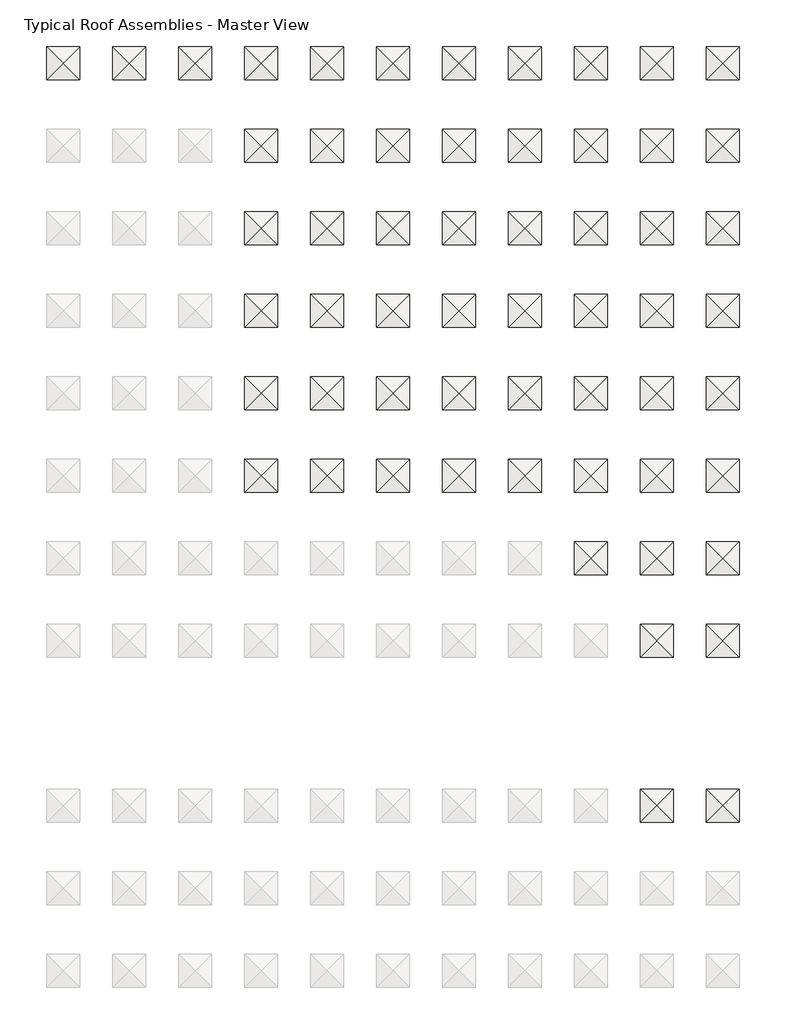
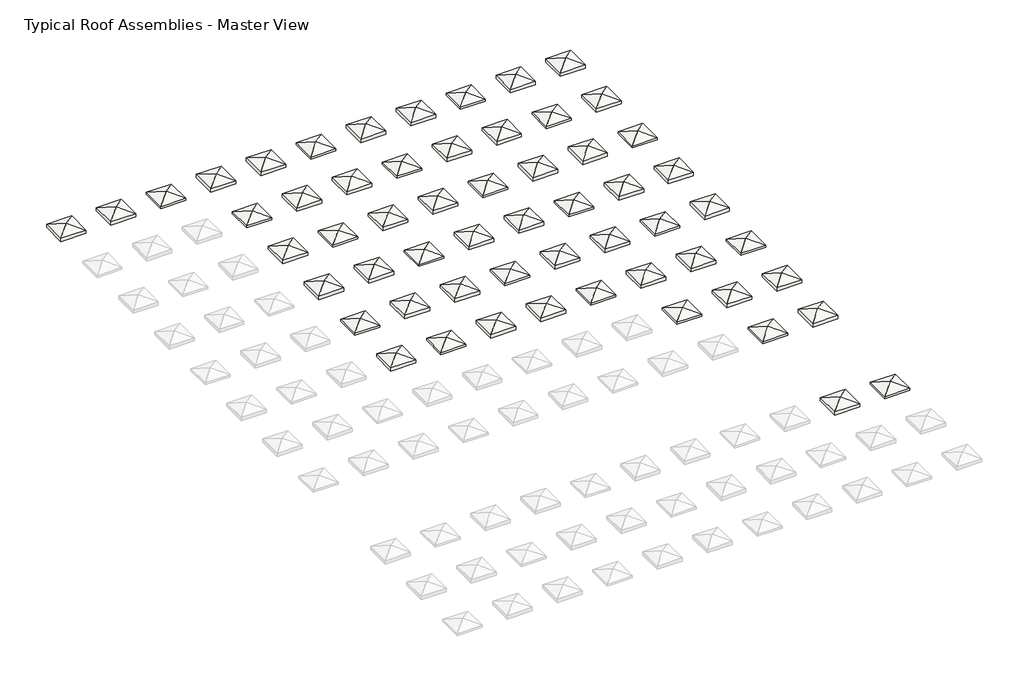
# One storey, part 6 of 6: 58 roofs.
"""IFC4 building model written with IfcOpenShell, lengths in millimetres."""

from ifc_helpers import new_model, si_unit, origin, place, context, project, spatial, faceted_brep, element, save

model = new_model("IFC4")

# Units and contexts
model_context = context("Model", 3, world=origin())
ifc_project = project(units=[si_unit("LENGTHUNIT", "METRE", prefix="MILLI")], contexts=[model_context])

# Site, building, storey
site = spatial("IfcSite", under=ifc_project)
building = spatial("IfcBuilding", under=site)
storey = spatial("IfcBuildingStorey", under=building, Name="Typical Roof Assemblies - Master View", Elevation=3048.0)

# Roofs
placement = place(None, origin())
element("IfcRoof", 1, at=placement, inside=storey, context=model_context, shape_type="Brep", body=[
    faceted_brep([(-18002.7271293, 7415.5233469, 3556.0), (-16478.7271293, 8939.5233469, 3048.0), (-16478.7271293, 5891.5233469, 3048.0), (-19526.7271293, 8939.5233469, 3048.0), (-19526.7271293, 5891.5233469, 3048.0), (-16478.7271293, 8939.5233469, 3479.7299585), (-18002.7271293, 7415.5233469, 3987.7299585), (-16478.7271293, 5891.5233469, 3479.7299585), (-19526.7271293, 8939.5233469, 3479.7299585), (-19526.7271293, 5891.5233469, 3479.7299585)], [[[0, 1, 2]], [[3, 0, 4]], [[1, 0, 3]], [[4, 0, 2]], [[5, 6, 7]], [[8, 9, 6]], [[5, 8, 6]], [[9, 7, 6]], [[3, 8, 5, 1]], [[4, 9, 8, 3]], [[2, 7, 9, 4]], [[1, 5, 7, 2]]]),
])
element("IfcRoof", 2, at=placement, inside=storey, context=model_context, shape_type="Brep", body=[
    faceted_brep([(-11906.7271293, 7415.5233469, 3556.0), (-10382.7271293, 8939.5233469, 3048.0), (-10382.7271293, 5891.5233469, 3048.0), (-13430.7271293, 8939.5233469, 3048.0), (-13430.7271293, 5891.5233469, 3048.0), (-10382.7271293, 8939.5233469, 3476.3832082), (-11906.7271293, 7415.5233469, 3984.3832082), (-10382.7271293, 5891.5233469, 3476.3832082), (-13430.7271293, 8939.5233469, 3476.3832082), (-13430.7271293, 5891.5233469, 3476.3832082)], [[[0, 1, 2]], [[3, 0, 4]], [[1, 0, 3]], [[4, 0, 2]], [[5, 6, 7]], [[8, 9, 6]], [[5, 8, 6]], [[9, 7, 6]], [[3, 8, 5, 1]], [[4, 9, 8, 3]], [[2, 7, 9, 4]], [[1, 5, 7, 2]]]),
])
element("IfcRoof", 3, at=placement, inside=storey, context=model_context, shape_type="Brep", body=[
    faceted_brep([(-5810.7271293, 7415.5233469, 3556.0), (-4286.7271293, 8939.5233469, 3048.0), (-4286.7271293, 5891.5233469, 3048.0), (-7334.7271293, 8939.5233469, 3048.0), (-7334.7271293, 5891.5233469, 3048.0), (-4286.7271293, 8939.5233469, 3304.0928432), (-5810.7271293, 7415.5233469, 3812.0928432), (-4286.7271293, 5891.5233469, 3304.0928432), (-7334.7271293, 8939.5233469, 3304.0928432), (-7334.7271293, 5891.5233469, 3304.0928432)], [[[0, 1, 2]], [[3, 0, 4]], [[1, 0, 3]], [[4, 0, 2]], [[5, 6, 7]], [[8, 9, 6]], [[5, 8, 6]], [[9, 7, 6]], [[3, 8, 5, 1]], [[4, 9, 8, 3]], [[2, 7, 9, 4]], [[1, 5, 7, 2]]]),
])
element("IfcRoof", 4, at=placement, inside=storey, context=model_context, shape_type="Brep", body=[
    faceted_brep([(285.2728707, 7415.5233469, 3556.0), (1809.2728707, 8939.5233469, 3048.0), (1809.2728707, 5891.5233469, 3048.0), (-1238.7271293, 8939.5233469, 3048.0), (-1238.7271293, 5891.5233469, 3048.0), (1809.2728707, 8939.5233469, 3478.1235205), (285.2728707, 7415.5233469, 3986.1235205), (1809.2728707, 5891.5233469, 3478.1235205), (-1238.7271293, 8939.5233469, 3478.1235205), (-1238.7271293, 5891.5233469, 3478.1235205)], [[[0, 1, 2]], [[3, 0, 4]], [[1, 0, 3]], [[4, 0, 2]], [[5, 6, 7]], [[8, 9, 6]], [[5, 8, 6]], [[9, 7, 6]], [[3, 8, 5, 1]], [[4, 9, 8, 3]], [[2, 7, 9, 4]], [[1, 5, 7, 2]]]),
])
element("IfcRoof", 5, at=placement, inside=storey, context=model_context, shape_type="Brep", body=[
    faceted_brep([(6381.2728707, 7415.5233469, 3556.0), (7905.2728707, 8939.5233469, 3048.0), (7905.2728707, 5891.5233469, 3048.0), (4857.2728707, 8939.5233469, 3048.0), (4857.2728707, 5891.5233469, 3048.0), (7905.2728707, 8939.5233469, 3474.7767703), (6381.2728707, 7415.5233469, 3982.7767703), (7905.2728707, 5891.5233469, 3474.7767703), (4857.2728707, 8939.5233469, 3474.7767703), (4857.2728707, 5891.5233469, 3474.7767703)], [[[0, 1, 2]], [[3, 0, 4]], [[1, 0, 3]], [[4, 0, 2]], [[5, 6, 7]], [[8, 9, 6]], [[5, 8, 6]], [[9, 7, 6]], [[3, 8, 5, 1]], [[4, 9, 8, 3]], [[2, 7, 9, 4]], [[1, 5, 7, 2]]]),
])
element("IfcRoof", 6, at=placement, inside=storey, context=model_context, shape_type="Brep", body=[
    faceted_brep([(12477.2728707, 7415.5233469, 3556.0), (14001.2728707, 8939.5233469, 3048.0), (14001.2728707, 5891.5233469, 3048.0), (10953.2728707, 8939.5233469, 3048.0), (10953.2728707, 5891.5233469, 3048.0), (14001.2728707, 8939.5233469, 3304.0928432), (12477.2728707, 7415.5233469, 3812.0928432), (14001.2728707, 5891.5233469, 3304.0928432), (10953.2728707, 8939.5233469, 3304.0928432), (10953.2728707, 5891.5233469, 3304.0928432)], [[[0, 1, 2]], [[3, 0, 4]], [[1, 0, 3]], [[4, 0, 2]], [[5, 6, 7]], [[8, 9, 6]], [[5, 8, 6]], [[9, 7, 6]], [[3, 8, 5, 1]], [[4, 9, 8, 3]], [[2, 7, 9, 4]], [[1, 5, 7, 2]]]),
])
element("IfcRoof", 7, at=placement, inside=storey, context=model_context, shape_type="Brep", body=[
    faceted_brep([(18573.2728707, 7415.5233469, 3556.0), (20097.2728707, 8939.5233469, 3048.0), (20097.2728707, 5891.5233469, 3048.0), (17049.2728707, 8939.5233469, 3048.0), (17049.2728707, 5891.5233469, 3048.0), (20097.2728707, 8939.5233469, 3479.7299585), (18573.2728707, 7415.5233469, 3987.7299585), (20097.2728707, 5891.5233469, 3479.7299585), (17049.2728707, 8939.5233469, 3479.7299585), (17049.2728707, 5891.5233469, 3479.7299585)], [[[0, 1, 2]], [[3, 0, 4]], [[1, 0, 3]], [[4, 0, 2]], [[5, 6, 7]], [[8, 9, 6]], [[5, 8, 6]], [[9, 7, 6]], [[3, 8, 5, 1]], [[4, 9, 8, 3]], [[2, 7, 9, 4]], [[1, 5, 7, 2]]]),
])
element("IfcRoof", 8, at=placement, inside=storey, context=model_context, shape_type="Brep", body=[
    faceted_brep([(24669.2728707, 7415.5233469, 3556.0), (26193.2728707, 8939.5233469, 3048.0), (26193.2728707, 5891.5233469, 3048.0), (23145.2728707, 8939.5233469, 3048.0), (23145.2728707, 5891.5233469, 3048.0), (26193.2728707, 8939.5233469, 3476.3832082), (24669.2728707, 7415.5233469, 3984.3832082), (26193.2728707, 5891.5233469, 3476.3832082), (23145.2728707, 8939.5233469, 3476.3832082), (23145.2728707, 5891.5233469, 3476.3832082)], [[[0, 1, 2]], [[3, 0, 4]], [[1, 0, 3]], [[4, 0, 2]], [[5, 6, 7]], [[8, 9, 6]], [[5, 8, 6]], [[9, 7, 6]], [[3, 8, 5, 1]], [[4, 9, 8, 3]], [[2, 7, 9, 4]], [[1, 5, 7, 2]]]),
])
element("IfcRoof", 9, at=placement, inside=storey, context=model_context, shape_type="Brep", body=[
    faceted_brep([(30765.2728707, 7415.5233469, 3556.0), (32289.2728707, 8939.5233469, 3048.0), (32289.2728707, 5891.5233469, 3048.0), (29241.2728707, 8939.5233469, 3048.0), (29241.2728707, 5891.5233469, 3048.0), (32289.2728707, 8939.5233469, 3304.0928432), (30765.2728707, 7415.5233469, 3812.0928432), (32289.2728707, 5891.5233469, 3304.0928432), (29241.2728707, 8939.5233469, 3304.0928432), (29241.2728707, 5891.5233469, 3304.0928432)], [[[0, 1, 2]], [[3, 0, 4]], [[1, 0, 3]], [[4, 0, 2]], [[5, 6, 7]], [[8, 9, 6]], [[5, 8, 6]], [[9, 7, 6]], [[3, 8, 5, 1]], [[4, 9, 8, 3]], [[2, 7, 9, 4]], [[1, 5, 7, 2]]]),
])
element("IfcRoof", 10, at=placement, inside=storey, context=model_context, shape_type="Brep", body=[
    faceted_brep([(36861.2728707, 7415.5233469, 3556.0), (38385.2728707, 8939.5233469, 3048.0), (38385.2728707, 5891.5233469, 3048.0), (35337.2728707, 8939.5233469, 3048.0), (35337.2728707, 5891.5233469, 3048.0), (38385.2728707, 8939.5233469, 3478.1235205), (36861.2728707, 7415.5233469, 3986.1235205), (38385.2728707, 5891.5233469, 3478.1235205), (35337.2728707, 8939.5233469, 3478.1235205), (35337.2728707, 5891.5233469, 3478.1235205)], [[[0, 1, 2]], [[3, 0, 4]], [[1, 0, 3]], [[4, 0, 2]], [[5, 6, 7]], [[8, 9, 6]], [[5, 8, 6]], [[9, 7, 6]], [[3, 8, 5, 1]], [[4, 9, 8, 3]], [[2, 7, 9, 4]], [[1, 5, 7, 2]]]),
])
element("IfcRoof", 11, at=placement, inside=storey, context=model_context, shape_type="Brep", body=[
    faceted_brep([(42957.2728707, 7415.5233469, 3556.0), (44481.2728707, 8939.5233469, 3048.0), (44481.2728707, 5891.5233469, 3048.0), (41433.2728707, 8939.5233469, 3048.0), (41433.2728707, 5891.5233469, 3048.0), (44481.2728707, 8939.5233469, 3474.7767703), (42957.2728707, 7415.5233469, 3982.7767703), (44481.2728707, 5891.5233469, 3474.7767703), (41433.2728707, 8939.5233469, 3474.7767703), (41433.2728707, 5891.5233469, 3474.7767703)], [[[0, 1, 2]], [[3, 0, 4]], [[1, 0, 3]], [[4, 0, 2]], [[5, 6, 7]], [[8, 9, 6]], [[5, 8, 6]], [[9, 7, 6]], [[3, 8, 5, 1]], [[4, 9, 8, 3]], [[2, 7, 9, 4]], [[1, 5, 7, 2]]]),
])
element("IfcRoof", 12, at=placement, inside=storey, context=model_context, shape_type="Brep", body=[
    faceted_brep([(285.2728707, -204.4766531, 3556.0), (1809.2728707, 1319.5233469, 3048.0), (1809.2728707, -1728.4766531, 3048.0), (-1238.7271293, 1319.5233469, 3048.0), (-1238.7271293, -1728.4766531, 3048.0), (1809.2728707, 1319.5233469, 3304.0928432), (285.2728707, -204.4766531, 3812.0928432), (1809.2728707, -1728.4766531, 3304.0928432), (-1238.7271293, 1319.5233469, 3304.0928432), (-1238.7271293, -1728.4766531, 3304.0928432)], [[[0, 1, 2]], [[3, 0, 4]], [[1, 0, 3]], [[4, 0, 2]], [[5, 6, 7]], [[8, 9, 6]], [[5, 8, 6]], [[9, 7, 6]], [[3, 8, 5, 1]], [[4, 9, 8, 3]], [[2, 7, 9, 4]], [[1, 5, 7, 2]]]),
])
element("IfcRoof", 13, at=placement, inside=storey, context=model_context, shape_type="Brep", body=[
    faceted_brep([(6381.2728707, -204.4766531, 3556.0), (7905.2728707, 1319.5233469, 3048.0), (7905.2728707, -1728.4766531, 3048.0), (4857.2728707, 1319.5233469, 3048.0), (4857.2728707, -1728.4766531, 3048.0), (7905.2728707, 1319.5233469, 3478.1235205), (6381.2728707, -204.4766531, 3986.1235205), (7905.2728707, -1728.4766531, 3478.1235205), (4857.2728707, 1319.5233469, 3478.1235205), (4857.2728707, -1728.4766531, 3478.1235205)], [[[0, 1, 2]], [[3, 0, 4]], [[1, 0, 3]], [[4, 0, 2]], [[5, 6, 7]], [[8, 9, 6]], [[5, 8, 6]], [[9, 7, 6]], [[3, 8, 5, 1]], [[4, 9, 8, 3]], [[2, 7, 9, 4]], [[1, 5, 7, 2]]]),
])
element("IfcRoof", 14, at=placement, inside=storey, context=model_context, shape_type="Brep", body=[
    faceted_brep([(12477.2728707, -204.4766531, 3556.0), (14001.2728707, 1319.5233469, 3048.0), (14001.2728707, -1728.4766531, 3048.0), (10953.2728707, 1319.5233469, 3048.0), (10953.2728707, -1728.4766531, 3048.0), (14001.2728707, 1319.5233469, 3474.7767703), (12477.2728707, -204.4766531, 3982.7767703), (14001.2728707, -1728.4766531, 3474.7767703), (10953.2728707, 1319.5233469, 3474.7767703), (10953.2728707, -1728.4766531, 3474.7767703)], [[[0, 1, 2]], [[3, 0, 4]], [[1, 0, 3]], [[4, 0, 2]], [[5, 6, 7]], [[8, 9, 6]], [[5, 8, 6]], [[9, 7, 6]], [[3, 8, 5, 1]], [[4, 9, 8, 3]], [[2, 7, 9, 4]], [[1, 5, 7, 2]]]),
])
element("IfcRoof", 15, at=placement, inside=storey, context=model_context, shape_type="Brep", body=[
    faceted_brep([(18573.2728707, -204.4766531, 3556.0), (20097.2728707, 1319.5233469, 3048.0), (20097.2728707, -1728.4766531, 3048.0), (17049.2728707, 1319.5233469, 3048.0), (17049.2728707, -1728.4766531, 3048.0), (20097.2728707, 1319.5233469, 3304.0928432), (18573.2728707, -204.4766531, 3812.0928432), (20097.2728707, -1728.4766531, 3304.0928432), (17049.2728707, 1319.5233469, 3304.0928432), (17049.2728707, -1728.4766531, 3304.0928432)], [[[0, 1, 2]], [[3, 0, 4]], [[1, 0, 3]], [[4, 0, 2]], [[5, 6, 7]], [[8, 9, 6]], [[5, 8, 6]], [[9, 7, 6]], [[3, 8, 5, 1]], [[4, 9, 8, 3]], [[2, 7, 9, 4]], [[1, 5, 7, 2]]]),
])
element("IfcRoof", 16, at=placement, inside=storey, context=model_context, shape_type="Brep", body=[
    faceted_brep([(24669.2728707, -204.4766531, 3556.0), (26193.2728707, 1319.5233469, 3048.0), (26193.2728707, -1728.4766531, 3048.0), (23145.2728707, 1319.5233469, 3048.0), (23145.2728707, -1728.4766531, 3048.0), (26193.2728707, 1319.5233469, 3479.7299585), (24669.2728707, -204.4766531, 3987.7299585), (26193.2728707, -1728.4766531, 3479.7299585), (23145.2728707, 1319.5233469, 3479.7299585), (23145.2728707, -1728.4766531, 3479.7299585)], [[[0, 1, 2]], [[3, 0, 4]], [[1, 0, 3]], [[4, 0, 2]], [[5, 6, 7]], [[8, 9, 6]], [[5, 8, 6]], [[9, 7, 6]], [[3, 8, 5, 1]], [[4, 9, 8, 3]], [[2, 7, 9, 4]], [[1, 5, 7, 2]]]),
])
element("IfcRoof", 17, at=placement, inside=storey, context=model_context, shape_type="Brep", body=[
    faceted_brep([(30765.2728707, -204.4766531, 3556.0), (32289.2728707, 1319.5233469, 3048.0), (32289.2728707, -1728.4766531, 3048.0), (29241.2728707, 1319.5233469, 3048.0), (29241.2728707, -1728.4766531, 3048.0), (32289.2728707, 1319.5233469, 3476.3832082), (30765.2728707, -204.4766531, 3984.3832082), (32289.2728707, -1728.4766531, 3476.3832082), (29241.2728707, 1319.5233469, 3476.3832082), (29241.2728707, -1728.4766531, 3476.3832082)], [[[0, 1, 2]], [[3, 0, 4]], [[1, 0, 3]], [[4, 0, 2]], [[5, 6, 7]], [[8, 9, 6]], [[5, 8, 6]], [[9, 7, 6]], [[3, 8, 5, 1]], [[4, 9, 8, 3]], [[2, 7, 9, 4]], [[1, 5, 7, 2]]]),
])
element("IfcRoof", 18, at=placement, inside=storey, context=model_context, shape_type="Brep", body=[
    faceted_brep([(36861.2728707, -204.4766531, 3556.0), (38385.2728707, 1319.5233469, 3048.0), (38385.2728707, -1728.4766531, 3048.0), (35337.2728707, 1319.5233469, 3048.0), (35337.2728707, -1728.4766531, 3048.0), (38385.2728707, 1319.5233469, 3304.0928432), (36861.2728707, -204.4766531, 3812.0928432), (38385.2728707, -1728.4766531, 3304.0928432), (35337.2728707, 1319.5233469, 3304.0928432), (35337.2728707, -1728.4766531, 3304.0928432)], [[[0, 1, 2]], [[3, 0, 4]], [[1, 0, 3]], [[4, 0, 2]], [[5, 6, 7]], [[8, 9, 6]], [[5, 8, 6]], [[9, 7, 6]], [[3, 8, 5, 1]], [[4, 9, 8, 3]], [[2, 7, 9, 4]], [[1, 5, 7, 2]]]),
])
element("IfcRoof", 19, at=placement, inside=storey, context=model_context, shape_type="Brep", body=[
    faceted_brep([(42957.2728707, -204.4766531, 3556.0), (44481.2728707, 1319.5233469, 3048.0), (44481.2728707, -1728.4766531, 3048.0), (41433.2728707, 1319.5233469, 3048.0), (41433.2728707, -1728.4766531, 3048.0), (44481.2728707, 1319.5233469, 3478.1235205), (42957.2728707, -204.4766531, 3986.1235205), (44481.2728707, -1728.4766531, 3478.1235205), (41433.2728707, 1319.5233469, 3478.1235205), (41433.2728707, -1728.4766531, 3478.1235205)], [[[0, 1, 2]], [[3, 0, 4]], [[1, 0, 3]], [[4, 0, 2]], [[5, 6, 7]], [[8, 9, 6]], [[5, 8, 6]], [[9, 7, 6]], [[3, 8, 5, 1]], [[4, 9, 8, 3]], [[2, 7, 9, 4]], [[1, 5, 7, 2]]]),
])
element("IfcRoof", 20, at=placement, inside=storey, context=model_context, shape_type="Brep", body=[
    faceted_brep([(285.2728707, -7824.4766531, 3556.0), (1809.2728707, -6300.4766531, 3048.0), (1809.2728707, -9348.4766531, 3048.0), (-1238.7271293, -6300.4766531, 3048.0), (-1238.7271293, -9348.4766531, 3048.0), (1809.2728707, -6300.4766531, 3476.3832082), (285.2728707, -7824.4766531, 3984.3832082), (1809.2728707, -9348.4766531, 3476.3832082), (-1238.7271293, -6300.4766531, 3476.3832082), (-1238.7271293, -9348.4766531, 3476.3832082)], [[[0, 1, 2]], [[3, 0, 4]], [[1, 0, 3]], [[4, 0, 2]], [[5, 6, 7]], [[8, 9, 6]], [[5, 8, 6]], [[9, 7, 6]], [[3, 8, 5, 1]], [[4, 9, 8, 3]], [[2, 7, 9, 4]], [[1, 5, 7, 2]]]),
])
element("IfcRoof", 21, at=placement, inside=storey, context=model_context, shape_type="Brep", body=[
    faceted_brep([(6381.2728707, -7824.4766531, 3556.0), (7905.2728707, -6300.4766531, 3048.0), (7905.2728707, -9348.4766531, 3048.0), (4857.2728707, -6300.4766531, 3048.0), (4857.2728707, -9348.4766531, 3048.0), (7905.2728707, -6300.4766531, 3304.0928432), (6381.2728707, -7824.4766531, 3812.0928432), (7905.2728707, -9348.4766531, 3304.0928432), (4857.2728707, -6300.4766531, 3304.0928432), (4857.2728707, -9348.4766531, 3304.0928432)], [[[0, 1, 2]], [[3, 0, 4]], [[1, 0, 3]], [[4, 0, 2]], [[5, 6, 7]], [[8, 9, 6]], [[5, 8, 6]], [[9, 7, 6]], [[3, 8, 5, 1]], [[4, 9, 8, 3]], [[2, 7, 9, 4]], [[1, 5, 7, 2]]]),
])
element("IfcRoof", 22, at=placement, inside=storey, context=model_context, shape_type="Brep", body=[
    faceted_brep([(12477.2728707, -7824.4766531, 3556.0), (14001.2728707, -6300.4766531, 3048.0), (14001.2728707, -9348.4766531, 3048.0), (10953.2728707, -6300.4766531, 3048.0), (10953.2728707, -9348.4766531, 3048.0), (14001.2728707, -6300.4766531, 3478.1235205), (12477.2728707, -7824.4766531, 3986.1235205), (14001.2728707, -9348.4766531, 3478.1235205), (10953.2728707, -6300.4766531, 3478.1235205), (10953.2728707, -9348.4766531, 3478.1235205)], [[[0, 1, 2]], [[3, 0, 4]], [[1, 0, 3]], [[4, 0, 2]], [[5, 6, 7]], [[8, 9, 6]], [[5, 8, 6]], [[9, 7, 6]], [[3, 8, 5, 1]], [[4, 9, 8, 3]], [[2, 7, 9, 4]], [[1, 5, 7, 2]]]),
])
element("IfcRoof", 23, at=placement, inside=storey, context=model_context, shape_type="Brep", body=[
    faceted_brep([(18573.2728707, -7824.4766531, 3556.0), (20097.2728707, -6300.4766531, 3048.0), (20097.2728707, -9348.4766531, 3048.0), (17049.2728707, -6300.4766531, 3048.0), (17049.2728707, -9348.4766531, 3048.0), (20097.2728707, -6300.4766531, 3474.7767703), (18573.2728707, -7824.4766531, 3982.7767703), (20097.2728707, -9348.4766531, 3474.7767703), (17049.2728707, -6300.4766531, 3474.7767703), (17049.2728707, -9348.4766531, 3474.7767703)], [[[0, 1, 2]], [[3, 0, 4]], [[1, 0, 3]], [[4, 0, 2]], [[5, 6, 7]], [[8, 9, 6]], [[5, 8, 6]], [[9, 7, 6]], [[3, 8, 5, 1]], [[4, 9, 8, 3]], [[2, 7, 9, 4]], [[1, 5, 7, 2]]]),
])
element("IfcRoof", 24, at=placement, inside=storey, context=model_context, shape_type="Brep", body=[
    faceted_brep([(24669.2728707, -7824.4766531, 3556.0), (26193.2728707, -6300.4766531, 3048.0), (26193.2728707, -9348.4766531, 3048.0), (23145.2728707, -6300.4766531, 3048.0), (23145.2728707, -9348.4766531, 3048.0), (26193.2728707, -6300.4766531, 3304.0928432), (24669.2728707, -7824.4766531, 3812.0928432), (26193.2728707, -9348.4766531, 3304.0928432), (23145.2728707, -6300.4766531, 3304.0928432), (23145.2728707, -9348.4766531, 3304.0928432)], [[[0, 1, 2]], [[3, 0, 4]], [[1, 0, 3]], [[4, 0, 2]], [[5, 6, 7]], [[8, 9, 6]], [[5, 8, 6]], [[9, 7, 6]], [[3, 8, 5, 1]], [[4, 9, 8, 3]], [[2, 7, 9, 4]], [[1, 5, 7, 2]]]),
])
element("IfcRoof", 25, at=placement, inside=storey, context=model_context, shape_type="Brep", body=[
    faceted_brep([(30765.2728707, -7824.4766531, 3556.0), (32289.2728707, -6300.4766531, 3048.0), (32289.2728707, -9348.4766531, 3048.0), (29241.2728707, -6300.4766531, 3048.0), (29241.2728707, -9348.4766531, 3048.0), (32289.2728707, -6300.4766531, 3479.7299585), (30765.2728707, -7824.4766531, 3987.7299585), (32289.2728707, -9348.4766531, 3479.7299585), (29241.2728707, -6300.4766531, 3479.7299585), (29241.2728707, -9348.4766531, 3479.7299585)], [[[0, 1, 2]], [[3, 0, 4]], [[1, 0, 3]], [[4, 0, 2]], [[5, 6, 7]], [[8, 9, 6]], [[5, 8, 6]], [[9, 7, 6]], [[3, 8, 5, 1]], [[4, 9, 8, 3]], [[2, 7, 9, 4]], [[1, 5, 7, 2]]]),
])
element("IfcRoof", 26, at=placement, inside=storey, context=model_context, shape_type="Brep", body=[
    faceted_brep([(36861.2728707, -7824.4766531, 3556.0), (38385.2728707, -6300.4766531, 3048.0), (38385.2728707, -9348.4766531, 3048.0), (35337.2728707, -6300.4766531, 3048.0), (35337.2728707, -9348.4766531, 3048.0), (38385.2728707, -6300.4766531, 3476.3832082), (36861.2728707, -7824.4766531, 3984.3832082), (38385.2728707, -9348.4766531, 3476.3832082), (35337.2728707, -6300.4766531, 3476.3832082), (35337.2728707, -9348.4766531, 3476.3832082)], [[[0, 1, 2]], [[3, 0, 4]], [[1, 0, 3]], [[4, 0, 2]], [[5, 6, 7]], [[8, 9, 6]], [[5, 8, 6]], [[9, 7, 6]], [[3, 8, 5, 1]], [[4, 9, 8, 3]], [[2, 7, 9, 4]], [[1, 5, 7, 2]]]),
])
element("IfcRoof", 27, at=placement, inside=storey, context=model_context, shape_type="Brep", body=[
    faceted_brep([(42957.2728707, -7824.4766531, 3556.0), (44481.2728707, -6300.4766531, 3048.0), (44481.2728707, -9348.4766531, 3048.0), (41433.2728707, -6300.4766531, 3048.0), (41433.2728707, -9348.4766531, 3048.0), (44481.2728707, -6300.4766531, 3304.0928432), (42957.2728707, -7824.4766531, 3812.0928432), (44481.2728707, -9348.4766531, 3304.0928432), (41433.2728707, -6300.4766531, 3304.0928432), (41433.2728707, -9348.4766531, 3304.0928432)], [[[0, 1, 2]], [[3, 0, 4]], [[1, 0, 3]], [[4, 0, 2]], [[5, 6, 7]], [[8, 9, 6]], [[5, 8, 6]], [[9, 7, 6]], [[3, 8, 5, 1]], [[4, 9, 8, 3]], [[2, 7, 9, 4]], [[1, 5, 7, 2]]]),
])
element("IfcRoof", 28, at=placement, inside=storey, context=model_context, shape_type="Brep", body=[
    faceted_brep([(285.2728707, -15444.4766531, 3556.0), (1809.2728707, -13920.4766531, 3048.0), (1809.2728707, -16968.4766531, 3048.0), (-1238.7271293, -13920.4766531, 3048.0), (-1238.7271293, -16968.4766531, 3048.0), (1809.2728707, -13920.4766531, 3479.7299585), (285.2728707, -15444.4766531, 3987.7299585), (1809.2728707, -16968.4766531, 3479.7299585), (-1238.7271293, -13920.4766531, 3479.7299585), (-1238.7271293, -16968.4766531, 3479.7299585)], [[[0, 1, 2]], [[3, 0, 4]], [[1, 0, 3]], [[4, 0, 2]], [[5, 6, 7]], [[8, 9, 6]], [[5, 8, 6]], [[9, 7, 6]], [[3, 8, 5, 1]], [[4, 9, 8, 3]], [[2, 7, 9, 4]], [[1, 5, 7, 2]]]),
])
element("IfcRoof", 29, at=placement, inside=storey, context=model_context, shape_type="Brep", body=[
    faceted_brep([(6381.2728707, -15444.4766531, 3556.0), (7905.2728707, -13920.4766531, 3048.0), (7905.2728707, -16968.4766531, 3048.0), (4857.2728707, -13920.4766531, 3048.0), (4857.2728707, -16968.4766531, 3048.0), (7905.2728707, -13920.4766531, 3476.3832082), (6381.2728707, -15444.4766531, 3984.3832082), (7905.2728707, -16968.4766531, 3476.3832082), (4857.2728707, -13920.4766531, 3476.3832082), (4857.2728707, -16968.4766531, 3476.3832082)], [[[0, 1, 2]], [[3, 0, 4]], [[1, 0, 3]], [[4, 0, 2]], [[5, 6, 7]], [[8, 9, 6]], [[5, 8, 6]], [[9, 7, 6]], [[3, 8, 5, 1]], [[4, 9, 8, 3]], [[2, 7, 9, 4]], [[1, 5, 7, 2]]]),
])
element("IfcRoof", 30, at=placement, inside=storey, context=model_context, shape_type="Brep", body=[
    faceted_brep([(12477.2728707, -15444.4766531, 3556.0), (14001.2728707, -13920.4766531, 3048.0), (14001.2728707, -16968.4766531, 3048.0), (10953.2728707, -13920.4766531, 3048.0), (10953.2728707, -16968.4766531, 3048.0), (14001.2728707, -13920.4766531, 3304.0928432), (12477.2728707, -15444.4766531, 3812.0928432), (14001.2728707, -16968.4766531, 3304.0928432), (10953.2728707, -13920.4766531, 3304.0928432), (10953.2728707, -16968.4766531, 3304.0928432)], [[[0, 1, 2]], [[3, 0, 4]], [[1, 0, 3]], [[4, 0, 2]], [[5, 6, 7]], [[8, 9, 6]], [[5, 8, 6]], [[9, 7, 6]], [[3, 8, 5, 1]], [[4, 9, 8, 3]], [[2, 7, 9, 4]], [[1, 5, 7, 2]]]),
])
element("IfcRoof", 31, at=placement, inside=storey, context=model_context, shape_type="Brep", body=[
    faceted_brep([(18573.2728707, -15444.4766531, 3556.0), (20097.2728707, -13920.4766531, 3048.0), (20097.2728707, -16968.4766531, 3048.0), (17049.2728707, -13920.4766531, 3048.0), (17049.2728707, -16968.4766531, 3048.0), (20097.2728707, -13920.4766531, 3478.1235205), (18573.2728707, -15444.4766531, 3986.1235205), (20097.2728707, -16968.4766531, 3478.1235205), (17049.2728707, -13920.4766531, 3478.1235205), (17049.2728707, -16968.4766531, 3478.1235205)], [[[0, 1, 2]], [[3, 0, 4]], [[1, 0, 3]], [[4, 0, 2]], [[5, 6, 7]], [[8, 9, 6]], [[5, 8, 6]], [[9, 7, 6]], [[3, 8, 5, 1]], [[4, 9, 8, 3]], [[2, 7, 9, 4]], [[1, 5, 7, 2]]]),
])
element("IfcRoof", 32, at=placement, inside=storey, context=model_context, shape_type="Brep", body=[
    faceted_brep([(24669.2728707, -15444.4766531, 3556.0), (26193.2728707, -13920.4766531, 3048.0), (26193.2728707, -16968.4766531, 3048.0), (23145.2728707, -13920.4766531, 3048.0), (23145.2728707, -16968.4766531, 3048.0), (26193.2728707, -13920.4766531, 3474.7767703), (24669.2728707, -15444.4766531, 3982.7767703), (26193.2728707, -16968.4766531, 3474.7767703), (23145.2728707, -13920.4766531, 3474.7767703), (23145.2728707, -16968.4766531, 3474.7767703)], [[[0, 1, 2]], [[3, 0, 4]], [[1, 0, 3]], [[4, 0, 2]], [[5, 6, 7]], [[8, 9, 6]], [[5, 8, 6]], [[9, 7, 6]], [[3, 8, 5, 1]], [[4, 9, 8, 3]], [[2, 7, 9, 4]], [[1, 5, 7, 2]]]),
])
element("IfcRoof", 33, at=placement, inside=storey, context=model_context, shape_type="Brep", body=[
    faceted_brep([(30765.2728707, -15444.4766531, 3556.0), (32289.2728707, -13920.4766531, 3048.0), (32289.2728707, -16968.4766531, 3048.0), (29241.2728707, -13920.4766531, 3048.0), (29241.2728707, -16968.4766531, 3048.0), (32289.2728707, -13920.4766531, 3304.0928432), (30765.2728707, -15444.4766531, 3812.0928432), (32289.2728707, -16968.4766531, 3304.0928432), (29241.2728707, -13920.4766531, 3304.0928432), (29241.2728707, -16968.4766531, 3304.0928432)], [[[0, 1, 2]], [[3, 0, 4]], [[1, 0, 3]], [[4, 0, 2]], [[5, 6, 7]], [[8, 9, 6]], [[5, 8, 6]], [[9, 7, 6]], [[3, 8, 5, 1]], [[4, 9, 8, 3]], [[2, 7, 9, 4]], [[1, 5, 7, 2]]]),
])
element("IfcRoof", 34, at=placement, inside=storey, context=model_context, shape_type="Brep", body=[
    faceted_brep([(36861.2728707, -15444.4766531, 3556.0), (38385.2728707, -13920.4766531, 3048.0), (38385.2728707, -16968.4766531, 3048.0), (35337.2728707, -13920.4766531, 3048.0), (35337.2728707, -16968.4766531, 3048.0), (38385.2728707, -13920.4766531, 3479.7299585), (36861.2728707, -15444.4766531, 3987.7299585), (38385.2728707, -16968.4766531, 3479.7299585), (35337.2728707, -13920.4766531, 3479.7299585), (35337.2728707, -16968.4766531, 3479.7299585)], [[[0, 1, 2]], [[3, 0, 4]], [[1, 0, 3]], [[4, 0, 2]], [[5, 6, 7]], [[8, 9, 6]], [[5, 8, 6]], [[9, 7, 6]], [[3, 8, 5, 1]], [[4, 9, 8, 3]], [[2, 7, 9, 4]], [[1, 5, 7, 2]]]),
])
element("IfcRoof", 35, at=placement, inside=storey, context=model_context, shape_type="Brep", body=[
    faceted_brep([(42957.2728707, -15444.4766531, 3556.0), (44481.2728707, -13920.4766531, 3048.0), (44481.2728707, -16968.4766531, 3048.0), (41433.2728707, -13920.4766531, 3048.0), (41433.2728707, -16968.4766531, 3048.0), (44481.2728707, -13920.4766531, 3476.3832082), (42957.2728707, -15444.4766531, 3984.3832082), (44481.2728707, -16968.4766531, 3476.3832082), (41433.2728707, -13920.4766531, 3476.3832082), (41433.2728707, -16968.4766531, 3476.3832082)], [[[0, 1, 2]], [[3, 0, 4]], [[1, 0, 3]], [[4, 0, 2]], [[5, 6, 7]], [[8, 9, 6]], [[5, 8, 6]], [[9, 7, 6]], [[3, 8, 5, 1]], [[4, 9, 8, 3]], [[2, 7, 9, 4]], [[1, 5, 7, 2]]]),
])
element("IfcRoof", 36, at=placement, inside=storey, context=model_context, shape_type="Brep", body=[
    faceted_brep([(285.2728707, -23064.4766531, 3556.0), (1809.2728707, -21540.4766531, 3048.0), (1809.2728707, -24588.4766531, 3048.0), (-1238.7271293, -21540.4766531, 3048.0), (-1238.7271293, -24588.4766531, 3048.0), (1809.2728707, -21540.4766531, 3304.0928432), (285.2728707, -23064.4766531, 3812.0928432), (1809.2728707, -24588.4766531, 3304.0928432), (-1238.7271293, -21540.4766531, 3304.0928432), (-1238.7271293, -24588.4766531, 3304.0928432)], [[[0, 1, 2]], [[3, 0, 4]], [[1, 0, 3]], [[4, 0, 2]], [[5, 6, 7]], [[8, 9, 6]], [[5, 8, 6]], [[9, 7, 6]], [[3, 8, 5, 1]], [[4, 9, 8, 3]], [[2, 7, 9, 4]], [[1, 5, 7, 2]]]),
])
element("IfcRoof", 37, at=placement, inside=storey, context=model_context, shape_type="Brep", body=[
    faceted_brep([(6381.2728707, -23064.4766531, 3556.0), (7905.2728707, -21540.4766531, 3048.0), (7905.2728707, -24588.4766531, 3048.0), (4857.2728707, -21540.4766531, 3048.0), (4857.2728707, -24588.4766531, 3048.0), (7905.2728707, -21540.4766531, 3479.7299585), (6381.2728707, -23064.4766531, 3987.7299585), (7905.2728707, -24588.4766531, 3479.7299585), (4857.2728707, -21540.4766531, 3479.7299585), (4857.2728707, -24588.4766531, 3479.7299585)], [[[0, 1, 2]], [[3, 0, 4]], [[1, 0, 3]], [[4, 0, 2]], [[5, 6, 7]], [[8, 9, 6]], [[5, 8, 6]], [[9, 7, 6]], [[3, 8, 5, 1]], [[4, 9, 8, 3]], [[2, 7, 9, 4]], [[1, 5, 7, 2]]]),
])
element("IfcRoof", 38, at=placement, inside=storey, context=model_context, shape_type="Brep", body=[
    faceted_brep([(12477.2728707, -23064.4766531, 3556.0), (14001.2728707, -21540.4766531, 3048.0), (14001.2728707, -24588.4766531, 3048.0), (10953.2728707, -21540.4766531, 3048.0), (10953.2728707, -24588.4766531, 3048.0), (14001.2728707, -21540.4766531, 3476.3832082), (12477.2728707, -23064.4766531, 3984.3832082), (14001.2728707, -24588.4766531, 3476.3832082), (10953.2728707, -21540.4766531, 3476.3832082), (10953.2728707, -24588.4766531, 3476.3832082)], [[[0, 1, 2]], [[3, 0, 4]], [[1, 0, 3]], [[4, 0, 2]], [[5, 6, 7]], [[8, 9, 6]], [[5, 8, 6]], [[9, 7, 6]], [[3, 8, 5, 1]], [[4, 9, 8, 3]], [[2, 7, 9, 4]], [[1, 5, 7, 2]]]),
])
element("IfcRoof", 39, at=placement, inside=storey, context=model_context, shape_type="Brep", body=[
    faceted_brep([(18573.2728707, -23064.4766531, 3556.0), (20097.2728707, -21540.4766531, 3048.0), (20097.2728707, -24588.4766531, 3048.0), (17049.2728707, -21540.4766531, 3048.0), (17049.2728707, -24588.4766531, 3048.0), (20097.2728707, -21540.4766531, 3304.0928432), (18573.2728707, -23064.4766531, 3812.0928432), (20097.2728707, -24588.4766531, 3304.0928432), (17049.2728707, -21540.4766531, 3304.0928432), (17049.2728707, -24588.4766531, 3304.0928432)], [[[0, 1, 2]], [[3, 0, 4]], [[1, 0, 3]], [[4, 0, 2]], [[5, 6, 7]], [[8, 9, 6]], [[5, 8, 6]], [[9, 7, 6]], [[3, 8, 5, 1]], [[4, 9, 8, 3]], [[2, 7, 9, 4]], [[1, 5, 7, 2]]]),
])
element("IfcRoof", 40, at=placement, inside=storey, context=model_context, shape_type="Brep", body=[
    faceted_brep([(24669.2728707, -23064.4766531, 3556.0), (26193.2728707, -21540.4766531, 3048.0), (26193.2728707, -24588.4766531, 3048.0), (23145.2728707, -21540.4766531, 3048.0), (23145.2728707, -24588.4766531, 3048.0), (26193.2728707, -21540.4766531, 3478.1235205), (24669.2728707, -23064.4766531, 3986.1235205), (26193.2728707, -24588.4766531, 3478.1235205), (23145.2728707, -21540.4766531, 3478.1235205), (23145.2728707, -24588.4766531, 3478.1235205)], [[[0, 1, 2]], [[3, 0, 4]], [[1, 0, 3]], [[4, 0, 2]], [[5, 6, 7]], [[8, 9, 6]], [[5, 8, 6]], [[9, 7, 6]], [[3, 8, 5, 1]], [[4, 9, 8, 3]], [[2, 7, 9, 4]], [[1, 5, 7, 2]]]),
])
element("IfcRoof", 41, at=placement, inside=storey, context=model_context, shape_type="Brep", body=[
    faceted_brep([(30765.2728707, -23064.4766531, 3556.0), (32289.2728707, -21540.4766531, 3048.0), (32289.2728707, -24588.4766531, 3048.0), (29241.2728707, -21540.4766531, 3048.0), (29241.2728707, -24588.4766531, 3048.0), (32289.2728707, -21540.4766531, 3474.7767703), (30765.2728707, -23064.4766531, 3982.7767703), (32289.2728707, -24588.4766531, 3474.7767703), (29241.2728707, -21540.4766531, 3474.7767703), (29241.2728707, -24588.4766531, 3474.7767703)], [[[0, 1, 2]], [[3, 0, 4]], [[1, 0, 3]], [[4, 0, 2]], [[5, 6, 7]], [[8, 9, 6]], [[5, 8, 6]], [[9, 7, 6]], [[3, 8, 5, 1]], [[4, 9, 8, 3]], [[2, 7, 9, 4]], [[1, 5, 7, 2]]]),
])
element("IfcRoof", 42, at=placement, inside=storey, context=model_context, shape_type="Brep", body=[
    faceted_brep([(36861.2728707, -23064.4766531, 3556.0), (38385.2728707, -21540.4766531, 3048.0), (38385.2728707, -24588.4766531, 3048.0), (35337.2728707, -21540.4766531, 3048.0), (35337.2728707, -24588.4766531, 3048.0), (38385.2728707, -21540.4766531, 3304.0928432), (36861.2728707, -23064.4766531, 3812.0928432), (38385.2728707, -24588.4766531, 3304.0928432), (35337.2728707, -21540.4766531, 3304.0928432), (35337.2728707, -24588.4766531, 3304.0928432)], [[[0, 1, 2]], [[3, 0, 4]], [[1, 0, 3]], [[4, 0, 2]], [[5, 6, 7]], [[8, 9, 6]], [[5, 8, 6]], [[9, 7, 6]], [[3, 8, 5, 1]], [[4, 9, 8, 3]], [[2, 7, 9, 4]], [[1, 5, 7, 2]]]),
])
element("IfcRoof", 43, at=placement, inside=storey, context=model_context, shape_type="Brep", body=[
    faceted_brep([(42957.2728707, -23064.4766531, 3556.0), (44481.2728707, -21540.4766531, 3048.0), (44481.2728707, -24588.4766531, 3048.0), (41433.2728707, -21540.4766531, 3048.0), (41433.2728707, -24588.4766531, 3048.0), (44481.2728707, -21540.4766531, 3479.7299585), (42957.2728707, -23064.4766531, 3987.7299585), (44481.2728707, -24588.4766531, 3479.7299585), (41433.2728707, -21540.4766531, 3479.7299585), (41433.2728707, -24588.4766531, 3479.7299585)], [[[0, 1, 2]], [[3, 0, 4]], [[1, 0, 3]], [[4, 0, 2]], [[5, 6, 7]], [[8, 9, 6]], [[5, 8, 6]], [[9, 7, 6]], [[3, 8, 5, 1]], [[4, 9, 8, 3]], [[2, 7, 9, 4]], [[1, 5, 7, 2]]]),
])
element("IfcRoof", 44, at=placement, inside=storey, context=model_context, shape_type="Brep", body=[
    faceted_brep([(285.2728707, -30684.4766531, 3556.0), (1809.2728707, -29160.4766531, 3048.0), (1809.2728707, -32208.4766531, 3048.0), (-1238.7271293, -29160.4766531, 3048.0), (-1238.7271293, -32208.4766531, 3048.0), (1809.2728707, -29160.4766531, 3474.7767703), (285.2728707, -30684.4766531, 3982.7767703), (1809.2728707, -32208.4766531, 3474.7767703), (-1238.7271293, -29160.4766531, 3474.7767703), (-1238.7271293, -32208.4766531, 3474.7767703)], [[[0, 1, 2]], [[3, 0, 4]], [[1, 0, 3]], [[4, 0, 2]], [[5, 6, 7]], [[8, 9, 6]], [[5, 8, 6]], [[9, 7, 6]], [[3, 8, 5, 1]], [[4, 9, 8, 3]], [[2, 7, 9, 4]], [[1, 5, 7, 2]]]),
])
element("IfcRoof", 45, at=placement, inside=storey, context=model_context, shape_type="Brep", body=[
    faceted_brep([(6381.2728707, -30684.4766531, 3556.0), (7905.2728707, -29160.4766531, 3048.0), (7905.2728707, -32208.4766531, 3048.0), (4857.2728707, -29160.4766531, 3048.0), (4857.2728707, -32208.4766531, 3048.0), (7905.2728707, -29160.4766531, 3304.0928432), (6381.2728707, -30684.4766531, 3812.0928432), (7905.2728707, -32208.4766531, 3304.0928432), (4857.2728707, -29160.4766531, 3304.0928432), (4857.2728707, -32208.4766531, 3304.0928432)], [[[0, 1, 2]], [[3, 0, 4]], [[1, 0, 3]], [[4, 0, 2]], [[5, 6, 7]], [[8, 9, 6]], [[5, 8, 6]], [[9, 7, 6]], [[3, 8, 5, 1]], [[4, 9, 8, 3]], [[2, 7, 9, 4]], [[1, 5, 7, 2]]]),
])
element("IfcRoof", 46, at=placement, inside=storey, context=model_context, shape_type="Brep", body=[
    faceted_brep([(12477.2728707, -30684.4766531, 3556.0), (14001.2728707, -29160.4766531, 3048.0), (14001.2728707, -32208.4766531, 3048.0), (10953.2728707, -29160.4766531, 3048.0), (10953.2728707, -32208.4766531, 3048.0), (14001.2728707, -29160.4766531, 3479.7299585), (12477.2728707, -30684.4766531, 3987.7299585), (14001.2728707, -32208.4766531, 3479.7299585), (10953.2728707, -29160.4766531, 3479.7299585), (10953.2728707, -32208.4766531, 3479.7299585)], [[[0, 1, 2]], [[3, 0, 4]], [[1, 0, 3]], [[4, 0, 2]], [[5, 6, 7]], [[8, 9, 6]], [[5, 8, 6]], [[9, 7, 6]], [[3, 8, 5, 1]], [[4, 9, 8, 3]], [[2, 7, 9, 4]], [[1, 5, 7, 2]]]),
])
element("IfcRoof", 47, at=placement, inside=storey, context=model_context, shape_type="Brep", body=[
    faceted_brep([(18573.2728707, -30684.4766531, 3556.0), (20097.2728707, -29160.4766531, 3048.0), (20097.2728707, -32208.4766531, 3048.0), (17049.2728707, -29160.4766531, 3048.0), (17049.2728707, -32208.4766531, 3048.0), (20097.2728707, -29160.4766531, 3476.3832082), (18573.2728707, -30684.4766531, 3984.3832082), (20097.2728707, -32208.4766531, 3476.3832082), (17049.2728707, -29160.4766531, 3476.3832082), (17049.2728707, -32208.4766531, 3476.3832082)], [[[0, 1, 2]], [[3, 0, 4]], [[1, 0, 3]], [[4, 0, 2]], [[5, 6, 7]], [[8, 9, 6]], [[5, 8, 6]], [[9, 7, 6]], [[3, 8, 5, 1]], [[4, 9, 8, 3]], [[2, 7, 9, 4]], [[1, 5, 7, 2]]]),
])
element("IfcRoof", 48, at=placement, inside=storey, context=model_context, shape_type="Brep", body=[
    faceted_brep([(24669.2728707, -30684.4766531, 3556.0), (26193.2728707, -29160.4766531, 3048.0), (26193.2728707, -32208.4766531, 3048.0), (23145.2728707, -29160.4766531, 3048.0), (23145.2728707, -32208.4766531, 3048.0), (26193.2728707, -29160.4766531, 3304.0928432), (24669.2728707, -30684.4766531, 3812.0928432), (26193.2728707, -32208.4766531, 3304.0928432), (23145.2728707, -29160.4766531, 3304.0928432), (23145.2728707, -32208.4766531, 3304.0928432)], [[[0, 1, 2]], [[3, 0, 4]], [[1, 0, 3]], [[4, 0, 2]], [[5, 6, 7]], [[8, 9, 6]], [[5, 8, 6]], [[9, 7, 6]], [[3, 8, 5, 1]], [[4, 9, 8, 3]], [[2, 7, 9, 4]], [[1, 5, 7, 2]]]),
])
element("IfcRoof", 49, at=placement, inside=storey, context=model_context, shape_type="Brep", body=[
    faceted_brep([(30765.2728707, -30684.4766531, 3556.0), (32289.2728707, -29160.4766531, 3048.0), (32289.2728707, -32208.4766531, 3048.0), (29241.2728707, -29160.4766531, 3048.0), (29241.2728707, -32208.4766531, 3048.0), (32289.2728707, -29160.4766531, 3478.1235205), (30765.2728707, -30684.4766531, 3986.1235205), (32289.2728707, -32208.4766531, 3478.1235205), (29241.2728707, -29160.4766531, 3478.1235205), (29241.2728707, -32208.4766531, 3478.1235205)], [[[0, 1, 2]], [[3, 0, 4]], [[1, 0, 3]], [[4, 0, 2]], [[5, 6, 7]], [[8, 9, 6]], [[5, 8, 6]], [[9, 7, 6]], [[3, 8, 5, 1]], [[4, 9, 8, 3]], [[2, 7, 9, 4]], [[1, 5, 7, 2]]]),
])
element("IfcRoof", 50, at=placement, inside=storey, context=model_context, shape_type="Brep", body=[
    faceted_brep([(36861.2728707, -30684.4766531, 3556.0), (38385.2728707, -29160.4766531, 3048.0), (38385.2728707, -32208.4766531, 3048.0), (35337.2728707, -29160.4766531, 3048.0), (35337.2728707, -32208.4766531, 3048.0), (38385.2728707, -29160.4766531, 3474.7767703), (36861.2728707, -30684.4766531, 3982.7767703), (38385.2728707, -32208.4766531, 3474.7767703), (35337.2728707, -29160.4766531, 3474.7767703), (35337.2728707, -32208.4766531, 3474.7767703)], [[[0, 1, 2]], [[3, 0, 4]], [[1, 0, 3]], [[4, 0, 2]], [[5, 6, 7]], [[8, 9, 6]], [[5, 8, 6]], [[9, 7, 6]], [[3, 8, 5, 1]], [[4, 9, 8, 3]], [[2, 7, 9, 4]], [[1, 5, 7, 2]]]),
])
element("IfcRoof", 51, at=placement, inside=storey, context=model_context, shape_type="Brep", body=[
    faceted_brep([(42957.2728707, -30684.4766531, 3556.0), (44481.2728707, -29160.4766531, 3048.0), (44481.2728707, -32208.4766531, 3048.0), (41433.2728707, -29160.4766531, 3048.0), (41433.2728707, -32208.4766531, 3048.0), (44481.2728707, -29160.4766531, 3304.0928432), (42957.2728707, -30684.4766531, 3812.0928432), (44481.2728707, -32208.4766531, 3304.0928432), (41433.2728707, -29160.4766531, 3304.0928432), (41433.2728707, -32208.4766531, 3304.0928432)], [[[0, 1, 2]], [[3, 0, 4]], [[1, 0, 3]], [[4, 0, 2]], [[5, 6, 7]], [[8, 9, 6]], [[5, 8, 6]], [[9, 7, 6]], [[3, 8, 5, 1]], [[4, 9, 8, 3]], [[2, 7, 9, 4]], [[1, 5, 7, 2]]]),
])
element("IfcRoof", 52, at=placement, inside=storey, context=model_context, shape_type="Brep", body=[
    faceted_brep([(30765.2728707, -38304.4766531, 3556.0), (32289.2728707, -36780.4766531, 3048.0), (32289.2728707, -39828.4766531, 3048.0), (29241.2728707, -36780.4766531, 3048.0), (29241.2728707, -39828.4766531, 3048.0), (32289.2728707, -36780.4766531, 3304.0928432), (30765.2728707, -38304.4766531, 3812.0928432), (32289.2728707, -39828.4766531, 3304.0928432), (29241.2728707, -36780.4766531, 3304.0928432), (29241.2728707, -39828.4766531, 3304.0928432)], [[[0, 1, 2]], [[3, 0, 4]], [[1, 0, 3]], [[4, 0, 2]], [[5, 6, 7]], [[8, 9, 6]], [[5, 8, 6]], [[9, 7, 6]], [[3, 8, 5, 1]], [[4, 9, 8, 3]], [[2, 7, 9, 4]], [[1, 5, 7, 2]]]),
])
element("IfcRoof", 53, at=placement, inside=storey, context=model_context, shape_type="Brep", body=[
    faceted_brep([(36861.2728707, -38304.4766531, 3556.0), (38385.2728707, -36780.4766531, 3048.0), (38385.2728707, -39828.4766531, 3048.0), (35337.2728707, -36780.4766531, 3048.0), (35337.2728707, -39828.4766531, 3048.0), (38385.2728707, -36780.4766531, 3478.1235205), (36861.2728707, -38304.4766531, 3986.1235205), (38385.2728707, -39828.4766531, 3478.1235205), (35337.2728707, -36780.4766531, 3478.1235205), (35337.2728707, -39828.4766531, 3478.1235205)], [[[0, 1, 2]], [[3, 0, 4]], [[1, 0, 3]], [[4, 0, 2]], [[5, 6, 7]], [[8, 9, 6]], [[5, 8, 6]], [[9, 7, 6]], [[3, 8, 5, 1]], [[4, 9, 8, 3]], [[2, 7, 9, 4]], [[1, 5, 7, 2]]]),
])
element("IfcRoof", 54, at=placement, inside=storey, context=model_context, shape_type="Brep", body=[
    faceted_brep([(42957.2728707, -38304.4766531, 3556.0), (44481.2728707, -36780.4766531, 3048.0), (44481.2728707, -39828.4766531, 3048.0), (41433.2728707, -36780.4766531, 3048.0), (41433.2728707, -39828.4766531, 3048.0), (44481.2728707, -36780.4766531, 3474.7767703), (42957.2728707, -38304.4766531, 3982.7767703), (44481.2728707, -39828.4766531, 3474.7767703), (41433.2728707, -36780.4766531, 3474.7767703), (41433.2728707, -39828.4766531, 3474.7767703)], [[[0, 1, 2]], [[3, 0, 4]], [[1, 0, 3]], [[4, 0, 2]], [[5, 6, 7]], [[8, 9, 6]], [[5, 8, 6]], [[9, 7, 6]], [[3, 8, 5, 1]], [[4, 9, 8, 3]], [[2, 7, 9, 4]], [[1, 5, 7, 2]]]),
])
element("IfcRoof", 55, at=placement, inside=storey, context=model_context, shape_type="Brep", body=[
    faceted_brep([(36861.2728707, -45924.4766531, 3556.0), (38385.2728707, -44400.4766531, 3048.0), (38385.2728707, -47448.4766531, 3048.0), (35337.2728707, -44400.4766531, 3048.0), (35337.2728707, -47448.4766531, 3048.0), (38385.2728707, -44400.4766531, 3304.0928432), (36861.2728707, -45924.4766531, 3812.0928432), (38385.2728707, -47448.4766531, 3304.0928432), (35337.2728707, -44400.4766531, 3304.0928432), (35337.2728707, -47448.4766531, 3304.0928432)], [[[0, 1, 2]], [[3, 0, 4]], [[1, 0, 3]], [[4, 0, 2]], [[5, 6, 7]], [[8, 9, 6]], [[5, 8, 6]], [[9, 7, 6]], [[3, 8, 5, 1]], [[4, 9, 8, 3]], [[2, 7, 9, 4]], [[1, 5, 7, 2]]]),
])
element("IfcRoof", 56, at=placement, inside=storey, context=model_context, shape_type="Brep", body=[
    faceted_brep([(42957.2728707, -45924.4766531, 3556.0), (44481.2728707, -44400.4766531, 3048.0), (44481.2728707, -47448.4766531, 3048.0), (41433.2728707, -44400.4766531, 3048.0), (41433.2728707, -47448.4766531, 3048.0), (44481.2728707, -44400.4766531, 3478.1235205), (42957.2728707, -45924.4766531, 3986.1235205), (44481.2728707, -47448.4766531, 3478.1235205), (41433.2728707, -44400.4766531, 3478.1235205), (41433.2728707, -47448.4766531, 3478.1235205)], [[[0, 1, 2]], [[3, 0, 4]], [[1, 0, 3]], [[4, 0, 2]], [[5, 6, 7]], [[8, 9, 6]], [[5, 8, 6]], [[9, 7, 6]], [[3, 8, 5, 1]], [[4, 9, 8, 3]], [[2, 7, 9, 4]], [[1, 5, 7, 2]]]),
])
element("IfcRoof", 57, at=placement, inside=storey, context=model_context, shape_type="Brep", body=[
    faceted_brep([(36861.2728707, -61164.4766531, 3556.0), (38385.2728707, -59640.4766531, 3048.0), (38385.2728707, -62688.4766531, 3048.0), (35337.2728707, -59640.4766531, 3048.0), (35337.2728707, -62688.4766531, 3048.0), (38385.2728707, -59640.4766531, 3476.3832082), (36861.2728707, -61164.4766531, 3984.3832082), (38385.2728707, -62688.4766531, 3476.3832082), (35337.2728707, -59640.4766531, 3476.3832082), (35337.2728707, -62688.4766531, 3476.3832082)], [[[0, 1, 2]], [[3, 0, 4]], [[1, 0, 3]], [[4, 0, 2]], [[5, 6, 7]], [[8, 9, 6]], [[5, 8, 6]], [[9, 7, 6]], [[3, 8, 5, 1]], [[4, 9, 8, 3]], [[2, 7, 9, 4]], [[1, 5, 7, 2]]]),
])
element("IfcRoof", 58, at=placement, inside=storey, context=model_context, shape_type="Brep", body=[
    faceted_brep([(42957.2728707, -61164.4766531, 3556.0), (44481.2728707, -59640.4766531, 3048.0), (44481.2728707, -62688.4766531, 3048.0), (41433.2728707, -59640.4766531, 3048.0), (41433.2728707, -62688.4766531, 3048.0), (44481.2728707, -59640.4766531, 3304.0928432), (42957.2728707, -61164.4766531, 3812.0928432), (44481.2728707, -62688.4766531, 3304.0928432), (41433.2728707, -59640.4766531, 3304.0928432), (41433.2728707, -62688.4766531, 3304.0928432)], [[[0, 1, 2]], [[3, 0, 4]], [[1, 0, 3]], [[4, 0, 2]], [[5, 6, 7]], [[8, 9, 6]], [[5, 8, 6]], [[9, 7, 6]], [[3, 8, 5, 1]], [[4, 9, 8, 3]], [[2, 7, 9, 4]], [[1, 5, 7, 2]]]),
])

save(model, "model.ifc")
